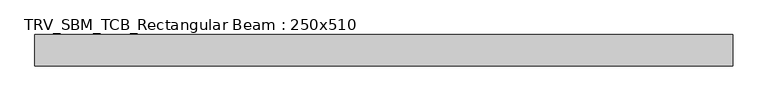
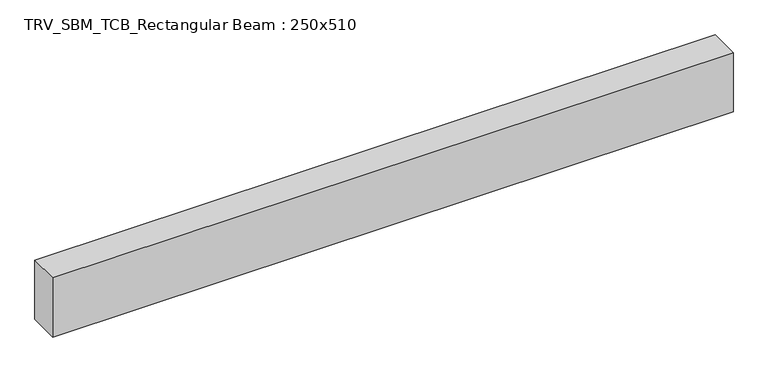
"""IFC4 building model written with IfcOpenShell, lengths in millimetres: beam geometry, TRV_SBM_TCB_Rectangular Beam : 250x510."""

from ifc_helpers import new_model, si_unit, frame, origin, place, context, project, spatial, polyline, outline, extrude, source, transform, mapped, element, save


def trv_sbm_tcb_rectangular_beam_250x510_614f94fe(model_context):
    return source(origin(), model_context, "Body", "SweptSolid", [
        extrude(outline(polyline([(2771.2, 125.0), (2771.2, -125.0), (-2771.2, -125.0), (-2771.2, 125.0), (2771.2, 125.0)])), frame((0.0, 0.0, -255.0), z_axis=(0.0, 0.0, 1.0), x_axis=(1.0, 0.0, 0.0)), (0.0, 0.0, 1.0), 510.0),
    ])


if __name__ == "__main__":
    model = new_model("IFC4")
    model_context = context("Model", 3, world=origin())
    ifc_project = project(units=[si_unit("LENGTHUNIT", "METRE", prefix="MILLI")], contexts=[model_context])
    site = spatial("IfcSite", under=ifc_project)
    building = spatial("IfcBuilding", under=site)
    placement = place(None, origin())
    trv_sbm_tcb_rectangular_beam_250x510_shape = trv_sbm_tcb_rectangular_beam_250x510_614f94fe(model_context)
    element("IfcBeam", 1, ObjectType="TRV_SBM_TCB_Rectangular Beam : 250x510", at=placement, inside=building, context=model_context, shape_type="MappedRepresentation", body=[
        mapped(trv_sbm_tcb_rectangular_beam_250x510_shape, transform((0.0, 0.0, 0.0), x_axis=(1.0, 0.0, 0.0), y_axis=(0.0, 1.0, 0.0), z_axis=(0.0, 0.0, 1.0))),
    ])
    save(model, "model.ifc")
